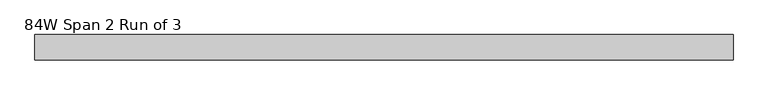
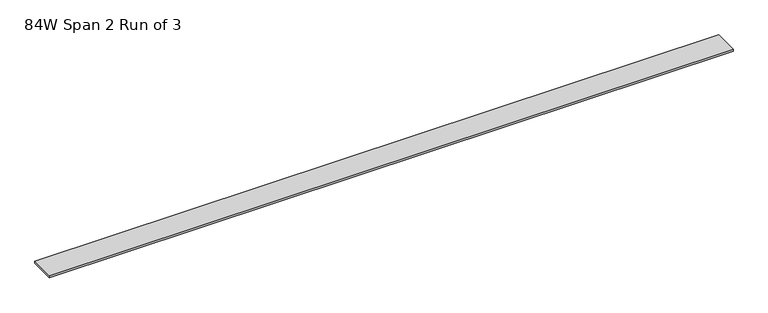
"""IFC4 building model written with IfcOpenShell, lengths in millimetres: furniture geometry, 84W Span 2 Run of 3."""

from ifc_helpers import new_model, si_unit, frame, origin, place, context, project, spatial, polyline, outline, extrude, source, transform, mapped, element, save


def furniture_84w_span_2_run_of_3_1b5202dd(model_context):
    return source(origin(), model_context, "Body", "SweptSolid", [
        extrude(outline(polyline([(1010.81205, 38.735), (1010.81205, -38.735), (-1122.78795, -38.735), (-1122.78795, 38.735), (1010.81205, 38.735)])), frame((0.0, 0.0, 1048.766), z_axis=(0.0, 0.0, 1.0), x_axis=(1.0, 0.0, 0.0)), (0.0, 0.0, 1.0), 6.858),
    ])


if __name__ == "__main__":
    model = new_model("IFC4")
    model_context = context("Model", 3, world=origin())
    ifc_project = project(units=[si_unit("LENGTHUNIT", "METRE", prefix="MILLI")], contexts=[model_context])
    site = spatial("IfcSite", under=ifc_project)
    building = spatial("IfcBuilding", under=site)
    placement = place(None, origin())
    furniture_84w_span_2_run_of_3_shape = furniture_84w_span_2_run_of_3_1b5202dd(model_context)
    element("IfcFurniture", 1, ObjectType="84W Span 2 Run of 3", at=placement, inside=building, context=model_context, shape_type="MappedRepresentation", body=[
        mapped(furniture_84w_span_2_run_of_3_shape, transform((0.0, 0.0, 0.0), x_axis=(1.0, 0.0, 0.0), y_axis=(0.0, 1.0, 0.0), z_axis=(0.0, 0.0, 1.0))),
    ])
    save(model, "model.ifc")
